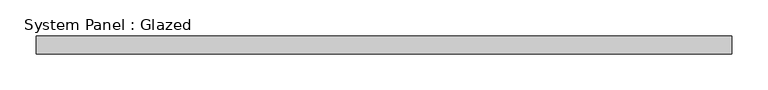
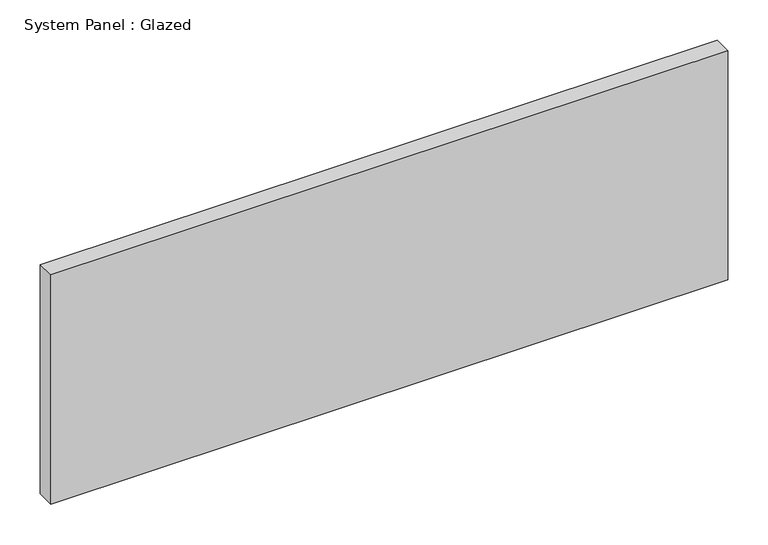
"""IFC4 building model written with IfcOpenShell, lengths in millimetres: plate geometry, System Panel : Glazed."""

from ifc_helpers import new_model, si_unit, origin, origin_with_axes, place, context, project, spatial, polyline, outline, extrude, source, transform, mapped, element, save


def system_panel_glazed_f43140e2(model_context):
    return source(origin(), model_context, "Body", "SweptSolid", [
        extrude(outline(polyline([(482.6, 19.05), (-482.6, 19.05), (-482.6, 44.45), (482.6, 44.45), (482.6, 19.05)])), origin_with_axes(), (0.0, 0.0, 1.0), 345.6214286),
    ])


if __name__ == "__main__":
    model = new_model("IFC4")
    model_context = context("Model", 3, world=origin())
    ifc_project = project(units=[si_unit("LENGTHUNIT", "METRE", prefix="MILLI")], contexts=[model_context])
    site = spatial("IfcSite", under=ifc_project)
    building = spatial("IfcBuilding", under=site)
    placement = place(None, origin())
    system_panel_glazed_shape = system_panel_glazed_f43140e2(model_context)
    element("IfcPlate", 1, ObjectType="System Panel : Glazed", at=placement, inside=building, context=model_context, shape_type="MappedRepresentation", body=[
        mapped(system_panel_glazed_shape, transform((0.0, 0.0, 0.0), x_axis=(1.0, 0.0, 0.0), y_axis=(0.0, 1.0, 0.0), z_axis=(0.0, 0.0, 1.0))),
    ])
    save(model, "model.ifc")
